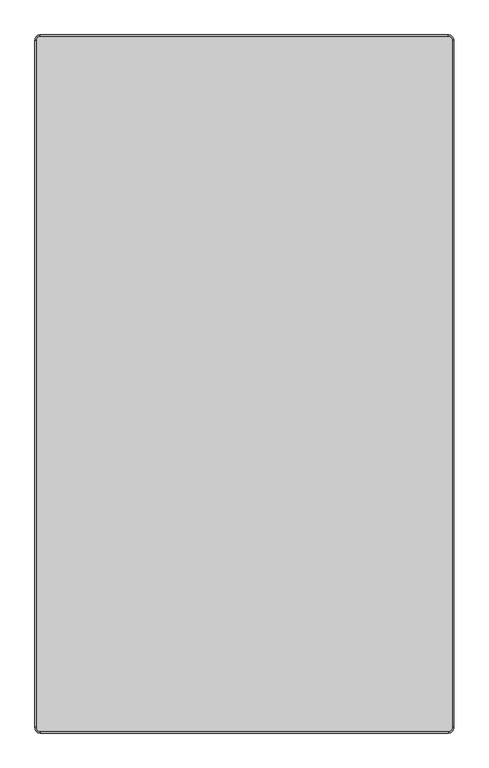
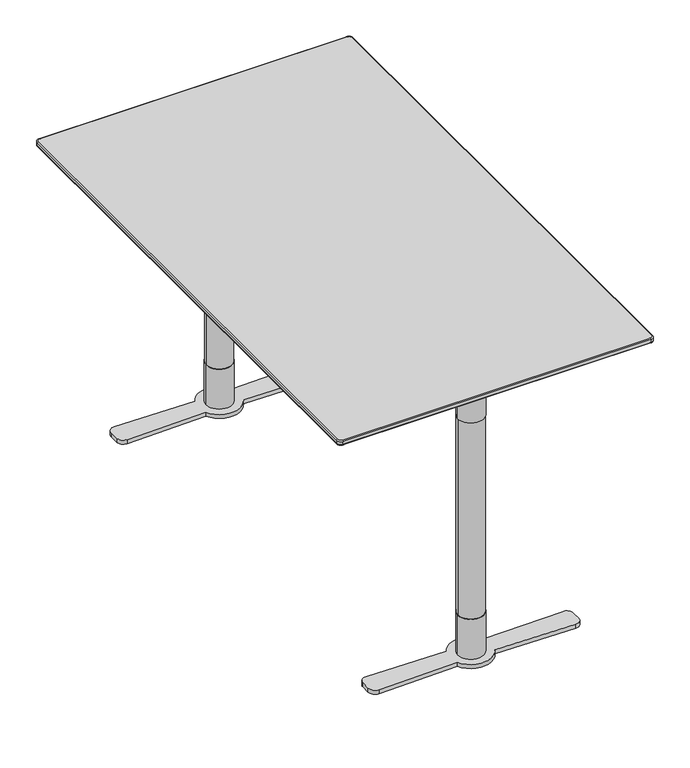
"""IFC4 building model written with IfcOpenShell, lengths in millimetres: furniture geometry."""

from ifc_helpers import new_model, si_unit, point, frame, frame_2d, origin, origin_with_axes, place, context, project, spatial, polyline, circle_curve, ellipse_curve, trimmed, segment, composite_curve, outline, extrude, source, transform, mapped, element, save
from ifc_brep_helpers import plane_surface, cylinder_surface, revolved_surface, spline_surface, advanced_brep


def furniture_3b3c3046(model_context):
    return source(origin(), model_context, "Body", "SolidModel", [
        extrude(outline(composite_curve([segment(polyline([(-517.1006543, 642.9632916), (-517.1006543, 702.7932592), (-387.0000045, 702.7932592), (-387.0000045, 696.6995396)]), True, "CONTINUOUS"), segment(trimmed(circle_curve(frame_2d((-396.0000045, 696.6995396)), 9.0), [point((-387.0000045, 696.6995396))], [point((-392.9169166, 688.2440935))], False, "CARTESIAN"), True, "CONTINUOUS"), segment(polyline([(-392.9169166, 688.2440935), (-517.1006543, 642.9632916)]), True, "CONTINUOUS")], self_intersect=False)), frame((-2.5512191, 0.0, 0.0), z_axis=(1.0, 0.0, 0.0), x_axis=(0.0, 1.0, 0.0)), (0.0, 0.0, 1.0), 5.1024383),
        extrude(outline(polyline([(175.0000945, -564.2976854), (-175.0000945, -564.2976854), (-175.0000945, -342.041139), (175.0000945, -342.041139), (175.0000945, -564.2976854)])), frame((0.0, 0.0, 702.7932592), z_axis=(0.0, 0.0, 1.0), x_axis=(1.0, 0.0, 0.0)), (0.0, 0.0, 1.0), 5.0000027),
        extrude(outline(composite_curve([segment(trimmed(circle_curve(frame_2d((0.0, -517.1010023)), 31.0), [point((-31.0, -517.1010023))], [point((31.0, -517.1010023))], False, "CARTESIAN"), True, "CONTINUOUS"), segment(trimmed(circle_curve(frame_2d((0.0, -517.1010023)), 31.0), [point((31.0, -517.1010023))], [point((-31.0, -517.1010023))], False, "CARTESIAN"), True, "CONTINUOUS")], self_intersect=False)), frame((0.0, 0.0, 602.7932663), z_axis=(0.0, 0.0, 1.0), x_axis=(1.0, 0.0, 0.0)), (0.0, 0.0, 1.0), 99.999993),
        extrude(outline(composite_curve([segment(trimmed(circle_curve(frame_2d((0.0, -517.1010023)), 30.0), [point((-30.0, -517.1010023))], [point((30.0, -517.1010023))], False, "CARTESIAN"), True, "CONTINUOUS"), segment(trimmed(circle_curve(frame_2d((0.0, -517.1010023)), 30.0), [point((30.0, -517.1010023))], [point((-30.0, -517.1010023))], False, "CARTESIAN"), True, "CONTINUOUS")], self_intersect=False)), frame((0.0, 0.0, 110.0016526), z_axis=(0.0, 0.0, 1.0), x_axis=(1.0, 0.0, 0.0)), (0.0, 0.0, 1.0), 492.7916137),
        extrude(outline(composite_curve([segment(trimmed(circle_curve(frame_2d((0.0, -517.1010023)), 31.0), [point((-31.0, -517.1010023))], [point((31.0, -517.1010023))], False, "CARTESIAN"), True, "CONTINUOUS"), segment(trimmed(circle_curve(frame_2d((0.0, -517.1010023)), 31.0), [point((31.0, -517.1010023))], [point((-31.0, -517.1010023))], False, "CARTESIAN"), True, "CONTINUOUS")], self_intersect=False)), frame((0.0, 0.0, 10.0000044), z_axis=(0.0, 0.0, 1.0), x_axis=(1.0, 0.0, 0.0)), (0.0, 0.0, 1.0), 100.0016481),
        extrude(outline(composite_curve([segment(trimmed(circle_curve(frame_2d((-233.9319221, -527.6584625)), 16.0), [point((-233.5735334, -543.6544482))], [point((-249.9319221, -527.6584625))], False, "CARTESIAN"), True, "CONTINUOUS"), segment(polyline([(-249.9319221, -527.6584625), (-249.9319221, -506.3415191)]), True, "CONTINUOUS"), segment(trimmed(circle_curve(frame_2d((-233.9319221, -506.3415191)), 16.0), [point((-249.9319221, -506.3415191))], [point((-233.5735272, -490.3455336))], False, "CARTESIAN"), True, "CONTINUOUS"), segment(polyline([(-233.5735272, -490.3455336), (-44.690162, -494.5775224)]), True, "CONTINUOUS"), segment(trimmed(circle_curve(frame_2d((6.2e-06, -517.0008125)), 50.0001508), [point((-44.690162, -494.5775224))], [point((44.6901745, -494.5775224))], False, "CARTESIAN"), True, "CONTINUOUS"), segment(polyline([(44.6901745, -494.5775224), (233.6737057, -490.3455386)]), True, "CONTINUOUS"), segment(trimmed(circle_curve(frame_2d((234.0319103, -506.3415284)), 16.0), [point((233.6737057, -490.3455386))], [point((250.0319103, -506.3415284))], False, "CARTESIAN"), True, "CONTINUOUS"), segment(polyline([(250.0319103, -506.3415284), (250.0319103, -527.6584533)]), True, "CONTINUOUS"), segment(trimmed(circle_curve(frame_2d((234.0319103, -527.6584533)), 16.0), [point((250.0319103, -527.6584533))], [point((233.6737118, -543.6544432))], False, "CARTESIAN"), True, "CONTINUOUS"), segment(polyline([(233.6737118, -543.6544432), (44.6901745, -539.4225322)]), True, "CONTINUOUS"), segment(trimmed(circle_curve(frame_2d((6.2e-06, -517.0003263)), 49.9996645), [point((44.6901745, -539.4225322))], [point((-44.690162, -539.4225322))], False, "CARTESIAN"), True, "CONTINUOUS"), segment(polyline([(-44.690162, -539.4225322), (-233.5735334, -543.6544482)]), True, "CONTINUOUS")], self_intersect=False)), origin_with_axes(), (0.0, 0.0, 1.0), 10.0000044),
        extrude(outline(composite_curve([segment(polyline([(517.1006543, 642.9632916), (392.9169166, 688.2440935)]), True, "CONTINUOUS"), segment(trimmed(circle_curve(frame_2d((396.0000045, 696.6995396)), 9.0), [point((392.9169166, 688.2440935))], [point((387.0000045, 696.6995396))], False, "CARTESIAN"), True, "CONTINUOUS"), segment(polyline([(387.0000045, 696.6995396), (387.0000045, 702.7932592), (517.1006543, 702.7932592), (517.1006543, 642.9632916)]), True, "CONTINUOUS")], self_intersect=False)), frame((-2.5512191, 0.0, 0.0), z_axis=(1.0, 0.0, 0.0), x_axis=(0.0, 1.0, 0.0)), (0.0, 0.0, 1.0), 5.1024383),
        advanced_brep(
        [(-365.0, -623.6840403, 718.2400004), (-365.0, -625.0, 720.1193857), (-375.0, -615.0, 720.1193857), (-373.6840403, -615.0, 718.2400004), (-365.0, -625.0, 728.0), (-365.0, -623.0, 730.0), (-373.0, -615.0, 730.0), (-375.0, -615.0, 728.0), (365.0, -623.6840403, 718.2400004), (365.0, -625.0, 720.1193857), (365.0, -625.0, 728.0), (365.0, -623.0, 730.0), (373.6840403, -615.0, 718.2400004), (375.0, -615.0, 720.1193857), (375.0, -615.0, 728.0), (373.0, -615.0, 730.0), (373.6840403, 615.0, 718.2400004), (375.0, 615.0, 720.1193857), (375.0, 615.0, 728.0), (373.0, 615.0, 730.0), (365.0, 623.6840403, 718.2400004), (365.0, 625.0, 720.1193857), (365.0, 625.0, 728.0), (365.0, 623.0, 730.0), (-365.0, 623.6840403, 718.2400004), (-365.0, 625.0, 720.1193857), (-365.0, 625.0, 728.0), (-365.0, 623.0, 730.0), (-373.6840403, 615.0, 718.2400004), (-375.0, 615.0, 720.1193857), (-375.0, 615.0, 728.0), (-373.0, 615.0, 730.0)],
        [
            (0, 1, circle_curve(frame((-365.0, -623.0, 720.1193857), z_axis=(-1.0, 0.0, 0.0), x_axis=(0.0, 1.0, 0.0)), 2.0)),
            (1, 2, circle_curve(frame((-365.0, -615.0, 720.1193857), z_axis=(0.0, 0.0, -1.0), x_axis=(-1.0, 0.0, 0.0)), 10.0)),
            (2, 3, circle_curve(frame((-373.0, -615.0, 720.1193857), z_axis=(0.0, -1.0, 0.0), x_axis=(1.0, 0.0, 0.0)), 2.0)),
            (3, 0, circle_curve(frame((-365.0, -615.0, 718.2400004), z_axis=(0.0, 0.0, 1.0), x_axis=(-1.0, 0.0, 0.0)), 8.6840403)),
            (4, 5, circle_curve(frame((-365.0, -623.0, 728.0), z_axis=(-1.0, 0.0, 0.0), x_axis=(0.0, 1.0, 0.0)), 2.0)),
            (5, 6, circle_curve(frame((-365.0, -615.0, 730.0), z_axis=(0.0, 0.0, -1.0), x_axis=(-1.0, 0.0, 0.0)), 8.0)),
            (6, 7, circle_curve(frame((-373.0, -615.0, 728.0), z_axis=(0.0, -1.0, 0.0), x_axis=(1.0, 0.0, 0.0)), 2.0)),
            (7, 4, circle_curve(frame((-365.0, -615.0, 728.0), z_axis=(0.0, 0.0, 1.0), x_axis=(-1.0, 0.0, 0.0)), 10.0)),
            (0, 8),
            (8, 9, circle_curve(frame((365.0, -623.0, 720.1193857), z_axis=(-1.0, 0.0, 0.0), x_axis=(0.0, 1.0, 0.0)), 2.0)),
            (9, 1),
            (4, 10),
            (10, 11, circle_curve(frame((365.0, -623.0, 728.0), z_axis=(-1.0, 0.0, 0.0), x_axis=(0.0, 1.0, 0.0)), 2.0)),
            (11, 5),
            (8, 12, circle_curve(frame((365.0, -615.0, 718.2400004), z_axis=(0.0, 0.0, 1.0), x_axis=(0.0, -1.0, 0.0)), 8.6840403)),
            (12, 13, circle_curve(frame((373.0, -615.0, 720.1193857), z_axis=(0.0, -1.0, 0.0), x_axis=(-1.0, 0.0, 0.0)), 2.0)),
            (13, 9, circle_curve(frame((365.0, -615.0, 720.1193857), z_axis=(0.0, 0.0, -1.0), x_axis=(0.0, -1.0, 0.0)), 10.0)),
            (10, 14, circle_curve(frame((365.0, -615.0, 728.0), z_axis=(0.0, 0.0, 1.0), x_axis=(0.0, -1.0, 0.0)), 10.0)),
            (14, 15, circle_curve(frame((373.0, -615.0, 728.0), z_axis=(0.0, -1.0, 0.0), x_axis=(-1.0, 0.0, 0.0)), 2.0)),
            (15, 11, circle_curve(frame((365.0, -615.0, 730.0), z_axis=(0.0, 0.0, -1.0), x_axis=(0.0, -1.0, 0.0)), 8.0)),
            (12, 16),
            (16, 17, circle_curve(frame((373.0, 615.0, 720.1193857), z_axis=(0.0, -1.0, 0.0), x_axis=(-1.0, 0.0, 0.0)), 2.0)),
            (17, 13),
            (14, 18),
            (18, 19, circle_curve(frame((373.0, 615.0, 728.0), z_axis=(0.0, -1.0, 0.0), x_axis=(-1.0, 0.0, 0.0)), 2.0)),
            (19, 15),
            (16, 20, circle_curve(frame((365.0, 615.0, 718.2400004), z_axis=(0.0, 0.0, 1.0), x_axis=(1.0, 0.0, 0.0)), 8.6840403)),
            (20, 21, circle_curve(frame((365.0, 623.0, 720.1193857), z_axis=(1.0, 0.0, 0.0), x_axis=(0.0, -1.0, 0.0)), 2.0)),
            (21, 17, circle_curve(frame((365.0, 615.0, 720.1193857), z_axis=(0.0, 0.0, -1.0), x_axis=(1.0, 0.0, 0.0)), 10.0)),
            (18, 22, circle_curve(frame((365.0, 615.0, 728.0), z_axis=(0.0, 0.0, 1.0), x_axis=(1.0, 0.0, 0.0)), 10.0)),
            (22, 23, circle_curve(frame((365.0, 623.0, 728.0), z_axis=(1.0, 0.0, 0.0), x_axis=(0.0, -1.0, 0.0)), 2.0)),
            (23, 19, circle_curve(frame((365.0, 615.0, 730.0), z_axis=(0.0, 0.0, -1.0), x_axis=(1.0, 0.0, 0.0)), 8.0)),
            (20, 24),
            (24, 25, circle_curve(frame((-365.0, 623.0, 720.1193857), z_axis=(1.0, 0.0, 0.0), x_axis=(0.0, -1.0, 0.0)), 2.0)),
            (25, 21),
            (22, 26),
            (26, 27, circle_curve(frame((-365.0, 623.0, 728.0), z_axis=(1.0, 0.0, 0.0), x_axis=(0.0, -1.0, 0.0)), 2.0)),
            (27, 23),
            (24, 28, circle_curve(frame((-365.0, 615.0, 718.2400004), z_axis=(0.0, 0.0, 1.0), x_axis=(0.0, 1.0, 0.0)), 8.6840403)),
            (28, 29, circle_curve(frame((-373.0, 615.0, 720.1193857), z_axis=(0.0, 1.0, 0.0), x_axis=(1.0, 0.0, 0.0)), 2.0)),
            (29, 25, circle_curve(frame((-365.0, 615.0, 720.1193857), z_axis=(0.0, 0.0, -1.0), x_axis=(0.0, 1.0, 0.0)), 10.0)),
            (26, 30, circle_curve(frame((-365.0, 615.0, 728.0), z_axis=(0.0, 0.0, 1.0), x_axis=(0.0, 1.0, 0.0)), 10.0)),
            (30, 31, circle_curve(frame((-373.0, 615.0, 728.0), z_axis=(0.0, 1.0, 0.0), x_axis=(1.0, 0.0, 0.0)), 2.0)),
            (31, 27, circle_curve(frame((-365.0, 615.0, 730.0), z_axis=(0.0, 0.0, -1.0), x_axis=(0.0, 1.0, 0.0)), 8.0)),
            (2, 29),
            (28, 3),
            (6, 31),
            (30, 7),
            (22, 21),
            (25, 26),
            (30, 29),
            (2, 7),
            (4, 1),
            (9, 10),
            (14, 13),
            (17, 18),
        ],
        [
            revolved_surface(trimmed(ellipse_curve(frame((-373.0, -615.0, 720.1193857), z_axis=(0.0, 1.0, 0.0), x_axis=(1.0, 0.0, 0.0)), 2.0, 2.0), [point((-373.6840403, -615.0, 718.2400004))], [point((-375.0, -615.0, 720.1193857))], True, "CARTESIAN"), (-365.0, -615.0, 0.0), (0.0, 0.0, 1.0)),
            revolved_surface(trimmed(ellipse_curve(frame((-373.0, -615.0, 728.0), z_axis=(0.0, 1.0, 0.0), x_axis=(1.0, 0.0, 0.0)), 2.0, 2.0), [point((-375.0, -615.0, 728.0))], [point((-373.0, -615.0, 730.0))], True, "CARTESIAN"), (-365.0, -615.0, 0.0), (0.0, 0.0, 1.0)),
            cylinder_surface(frame((-365.0, -623.0, 720.1193857), z_axis=(1.0, 0.0, 0.0), x_axis=(0.0, 1.0, 0.0)), 2.0),
            cylinder_surface(frame((-365.0, -623.0, 728.0), z_axis=(1.0, 0.0, 0.0), x_axis=(0.0, 1.0, 0.0)), 2.0),
            revolved_surface(trimmed(ellipse_curve(frame((365.0, -623.0, 720.1193857), z_axis=(-1.0, 0.0, 0.0), x_axis=(0.0, 1.0, 0.0)), 2.0, 2.0), [point((365.0, -623.6840403, 718.2400004))], [point((365.0, -625.0, 720.1193857))], True, "CARTESIAN"), (365.0, -615.0, 0.0), (0.0, 0.0, 1.0)),
            revolved_surface(trimmed(ellipse_curve(frame((365.0, -623.0, 728.0), z_axis=(-1.0, 0.0, 0.0), x_axis=(0.0, 1.0, 0.0)), 2.0, 2.0), [point((365.0, -625.0, 728.0))], [point((365.0, -623.0, 730.0))], True, "CARTESIAN"), (365.0, -615.0, 0.0), (0.0, 0.0, 1.0)),
            cylinder_surface(frame((373.0, -615.0, 720.1193857), z_axis=(0.0, 1.0, 0.0), x_axis=(-1.0, 0.0, 0.0)), 2.0),
            cylinder_surface(frame((373.0, -615.0, 728.0), z_axis=(0.0, 1.0, 0.0), x_axis=(-1.0, 0.0, 0.0)), 2.0),
            revolved_surface(trimmed(ellipse_curve(frame((373.0, 615.0, 720.1193857), z_axis=(0.0, -1.0, 0.0), x_axis=(-1.0, 0.0, 0.0)), 2.0, 2.0), [point((373.6840403, 615.0, 718.2400004))], [point((375.0, 615.0, 720.1193857))], True, "CARTESIAN"), (365.0, 615.0, 0.0), (0.0, 0.0, 1.0)),
            revolved_surface(trimmed(ellipse_curve(frame((373.0, 615.0, 728.0), z_axis=(0.0, -1.0, 0.0), x_axis=(-1.0, 0.0, 0.0)), 2.0, 2.0), [point((375.0, 615.0, 728.0))], [point((373.0, 615.0, 730.0))], True, "CARTESIAN"), (365.0, 615.0, 0.0), (0.0, 0.0, 1.0)),
            cylinder_surface(frame((365.0, 623.0, 720.1193857), z_axis=(-1.0, 0.0, 0.0), x_axis=(0.0, -1.0, 0.0)), 2.0),
            cylinder_surface(frame((365.0, 623.0, 728.0), z_axis=(-1.0, 0.0, 0.0), x_axis=(0.0, -1.0, 0.0)), 2.0),
            revolved_surface(trimmed(ellipse_curve(frame((-365.0, 623.0, 720.1193857), z_axis=(1.0, 0.0, 0.0), x_axis=(0.0, -1.0, 0.0)), 2.0, 2.0), [point((-365.0, 623.6840403, 718.2400004))], [point((-365.0, 625.0, 720.1193857))], True, "CARTESIAN"), (-365.0, 615.0, 0.0), (0.0, 0.0, 1.0)),
            revolved_surface(trimmed(ellipse_curve(frame((-365.0, 623.0, 728.0), z_axis=(1.0, 0.0, 0.0), x_axis=(0.0, -1.0, 0.0)), 2.0, 2.0), [point((-365.0, 625.0, 728.0))], [point((-365.0, 623.0, 730.0))], True, "CARTESIAN"), (-365.0, 615.0, 0.0), (0.0, 0.0, 1.0)),
            cylinder_surface(frame((-373.0, 615.0, 720.1193857), z_axis=(0.0, -1.0, 0.0), x_axis=(1.0, 0.0, 0.0)), 2.0),
            cylinder_surface(frame((-373.0, 615.0, 728.0), z_axis=(0.0, -1.0, 0.0), x_axis=(1.0, 0.0, 0.0)), 2.0),
            plane_surface(frame((-305.0, 625.0, 730.0), z_axis=(0.0, 0.0, 1.0), x_axis=(-1.0, 0.0, 0.0))),
            plane_surface(frame((-305.0, 625.0, 718.2400004), z_axis=(0.0, 0.0, -1.0), x_axis=(1.0, 0.0, 0.0))),
            plane_surface(frame((365.0, 625.0, 730.0), z_axis=(0.0, 1.0, 0.0), x_axis=(0.0, 0.0, -1.0))),
            plane_surface(frame((-375.0, 615.0, 730.0), z_axis=(-1.0, 0.0, 0.0), x_axis=(0.0, 0.0, -1.0))),
            plane_surface(frame((-365.0, -625.0, 730.0), z_axis=(0.0, -1.0, 0.0), x_axis=(0.0, 0.0, -1.0))),
            plane_surface(frame((375.0, -615.0, 730.0), z_axis=(1.0, 0.0, 0.0), x_axis=(0.0, 0.0, -1.0))),
            cylinder_surface(frame((-365.0, 615.0, 718.2400004), z_axis=(0.0, 0.0, 1.0), x_axis=(1.0, 0.0, 0.0)), 10.0),
            cylinder_surface(frame((-365.0, -615.0, 718.2400004), z_axis=(0.0, 0.0, 1.0), x_axis=(1.0, 0.0, 0.0)), 10.0),
            cylinder_surface(frame((365.0, -615.0, 718.2400004), z_axis=(0.0, 0.0, 1.0), x_axis=(1.0, 0.0, 0.0)), 10.0),
            cylinder_surface(frame((365.0, 615.0, 718.2400004), z_axis=(0.0, 0.0, 1.0), x_axis=(1.0, 0.0, 0.0)), 10.0),
        ],
        [
            (0, [[1, 2, 3, 4]]),
            (1, [[5, 6, 7, 8]]),
            (2, [[-1, 9, 10, 11]]),
            (3, [[-5, 12, 13, 14]]),
            (4, [[-10, 15, 16, 17]]),
            (5, [[-13, 18, 19, 20]]),
            (6, [[-16, 21, 22, 23]]),
            (7, [[-19, 24, 25, 26]]),
            (8, [[-22, 27, 28, 29]]),
            (9, [[-25, 30, 31, 32]]),
            (10, [[-28, 33, 34, 35]]),
            (11, [[-31, 36, 37, 38]]),
            (12, [[-34, 39, 40, 41]]),
            (13, [[-37, 42, 43, 44]]),
            (14, [[-3, 45, -40, 46]]),
            (15, [[-7, 47, -43, 48]]),
            (16, [[-6, -14, -20, -26, -32, -38, -44, -47]]),
            (17, [[-4, -46, -39, -33, -27, -21, -15, -9]]),
            (18, [[49, -35, 50, -36]]),
            (19, [[51, -45, 52, -48]]),
            (20, [[53, -11, 54, -12]]),
            (21, [[55, -23, 56, -24]]),
            (22, [[-51, -42, -50, -41]]),
            (23, [[-53, -8, -52, -2]]),
            (24, [[-55, -18, -54, -17]]),
            (25, [[-49, -30, -56, -29]]),
        ],
    ),
        advanced_brep(
        [(365.0, 623.6840403, 718.2400004), (-365.0, 623.6840403, 718.2400004), (-373.6840403, 615.0, 718.2400004), (-373.6840403, -615.0, 718.2400004), (-365.0, -623.6840403, 718.2400004), (365.0, -623.6840403, 718.2400004), (373.6840403, -615.0, 718.2400004), (373.6840403, 615.0, 718.2400004), (337.030341, 595.0, 707.7932619), (345.0, 587.030341, 707.7932619), (345.0, -587.030341, 707.7932619), (337.030341, -595.0, 707.7932619), (-337.030341, -595.0, 707.7932619), (-345.0, -587.030341, 707.7932619), (-345.0, 587.030341, 707.7932619), (-337.030341, 595.0, 707.7932619)],
        [
            (0, 1),
            (1, 2, circle_curve(frame((-365.0, 615.0, 718.2400004), z_axis=(0.0, 0.0, 1.0), x_axis=(1.0, 0.0, 0.0)), 8.6840403)),
            (2, 3),
            (3, 4, circle_curve(frame((-365.0, -615.0, 718.2400004), z_axis=(0.0, 0.0, 1.0), x_axis=(1.0, 0.0, 0.0)), 8.6840403)),
            (4, 5),
            (5, 6, circle_curve(frame((365.0, -615.0, 718.2400004), z_axis=(0.0, 0.0, 1.0), x_axis=(1.0, 0.0, 0.0)), 8.6840403)),
            (6, 7),
            (7, 0, circle_curve(frame((365.0, 615.0, 718.2400004), z_axis=(0.0, 0.0, 1.0), x_axis=(1.0, 0.0, 0.0)), 8.6840403)),
            (8, 9, circle_curve(frame((337.030341, 587.030341, 707.7932619), z_axis=(0.0, 0.0, -1.0), x_axis=(1.0, 0.0, 0.0)), 7.969659)),
            (9, 10),
            (10, 11, circle_curve(frame((337.030341, -587.030341, 707.7932619), z_axis=(0.0, 0.0, -1.0), x_axis=(1.0, 0.0, 0.0)), 7.969659)),
            (11, 12),
            (12, 13, circle_curve(frame((-337.030341, -587.030341, 707.7932619), z_axis=(0.0, 0.0, -1.0), x_axis=(1.0, 0.0, 0.0)), 7.969659)),
            (13, 14),
            (14, 15, circle_curve(frame((-337.030341, 587.030341, 707.7932619), z_axis=(0.0, 0.0, -1.0), x_axis=(1.0, 0.0, 0.0)), 7.969659)),
            (15, 8),
            (15, 1),
            (0, 8),
            (14, 2),
            (13, 3),
            (12, 4),
            (11, 5),
            (10, 6),
            (9, 7),
        ],
        [
            plane_surface(frame((0.0, 0.0, 718.2400004), z_axis=(0.0, 0.0, 1.0), x_axis=(-1.0, 0.0, 0.0))),
            plane_surface(frame((0.0, 0.0, 707.7932619), z_axis=(0.0, 0.0, -1.0), x_axis=(-1.0, 0.0, 0.0))),
            plane_surface(frame((0.0, 595.0, 707.7932619), z_axis=(0.0, 0.34221109305817343, -0.9396230987943678), x_axis=(-1.0, 0.0, 0.0))),
            spline_surface(2, 1, [[(-337.030341, 595.0, 707.7932619), (-365.0, 623.6840403, 718.2400004)], [(-345.0, 595.0, 707.7932619), (-373.6840403, 623.6840403, 718.2400004)], [(-345.0, 587.030341, 707.7932619), (-373.6840403, 615.0, 718.2400004)]], [3, 3], [2, 2], [0.0, 1.0], [0.0, 1.0], weights=[[1.0, 1.0], [0.7071067811865476, 0.7071067811865476], [1.0, 1.0]]),
            plane_surface(frame((-345.0, 0.0, 707.7932619), z_axis=(-0.3422110930581856, 0.0, -0.9396230987943633), x_axis=(0.0, -1.0, 0.0))),
            spline_surface(2, 1, [[(-345.0, -587.030341, 707.7932619), (-373.6840403, -615.0, 718.2400004)], [(-345.0, -595.0, 707.7932619), (-373.6840403, -623.6840403, 718.2400004)], [(-337.030341, -595.0, 707.7932619), (-365.0, -623.6840403, 718.2400004)]], [3, 3], [2, 2], [0.0, 1.0], [0.0, 1.0], weights=[[1.0, 1.0], [0.7071067811865476, 0.7071067811865476], [1.0, 1.0]]),
            plane_surface(frame((0.0, -595.0, 707.7932619), z_axis=(0.0, -0.34221109305817343, -0.9396230987943678), x_axis=(1.0, 0.0, 0.0))),
            spline_surface(2, 1, [[(337.030341, -595.0, 707.7932619), (365.0, -623.6840403, 718.2400004)], [(345.0, -595.0, 707.7932619), (373.6840403, -623.6840403, 718.2400004)], [(345.0, -587.030341, 707.7932619), (373.6840403, -615.0, 718.2400004)]], [3, 3], [2, 2], [0.0, 1.0], [0.0, 1.0], weights=[[1.0, 1.0], [0.7071067811865476, 0.7071067811865476], [1.0, 1.0]]),
            plane_surface(frame((345.0, 0.0, 707.7932619), z_axis=(0.34221109305816205, 0.0, -0.939623098794372), x_axis=(0.0, 1.0, 0.0))),
            spline_surface(2, 1, [[(345.0, 587.030341, 707.7932619), (373.6840403, 615.0, 718.2400004)], [(345.0, 595.0, 707.7932619), (373.6840403, 623.6840403, 718.2400004)], [(337.030341, 595.0, 707.7932619), (365.0, 623.6840403, 718.2400004)]], [3, 3], [2, 2], [0.0, 1.0], [0.0, 1.0], weights=[[1.0, 1.0], [0.7071067811865476, 0.7071067811865476], [1.0, 1.0]]),
        ],
        [
            (0, [[1, 2, 3, 4, 5, 6, 7, 8]]),
            (1, [[9, 10, 11, 12, 13, 14, 15, 16]]),
            (2, [[-16, 17, -1, 18]]),
            (3, [[-15, 19, -2, -17]]),
            (4, [[-14, 20, -3, -19]]),
            (5, [[-13, 21, -4, -20]]),
            (6, [[-12, 22, -5, -21]]),
            (7, [[-11, 23, -6, -22]]),
            (8, [[-10, 24, -7, -23]]),
            (9, [[-9, -18, -8, -24]]),
        ],
    ),
        extrude(outline(polyline([(175.0000945, 564.2976854), (175.0000945, 342.041139), (-175.0000945, 342.041139), (-175.0000945, 564.2976854), (175.0000945, 564.2976854)])), frame((0.0, 0.0, 702.7932592), z_axis=(0.0, 0.0, 1.0), x_axis=(1.0, 0.0, 0.0)), (0.0, 0.0, 1.0), 5.0000027),
        extrude(outline(composite_curve([segment(trimmed(circle_curve(frame_2d((0.0, 517.1010023)), 31.0), [point((-31.0, 517.1010023))], [point((31.0, 517.1010023))], False, "CARTESIAN"), True, "CONTINUOUS"), segment(trimmed(circle_curve(frame_2d((0.0, 517.1010023)), 31.0), [point((31.0, 517.1010023))], [point((-31.0, 517.1010023))], False, "CARTESIAN"), True, "CONTINUOUS")], self_intersect=False)), frame((0.0, 0.0, 602.7932663), z_axis=(0.0, 0.0, 1.0), x_axis=(1.0, 0.0, 0.0)), (0.0, 0.0, 1.0), 99.999993),
        extrude(outline(composite_curve([segment(trimmed(circle_curve(frame_2d((0.0, 517.1010023)), 30.0), [point((-30.0, 517.1010023))], [point((30.0, 517.1010023))], False, "CARTESIAN"), True, "CONTINUOUS"), segment(trimmed(circle_curve(frame_2d((0.0, 517.1010023)), 30.0), [point((30.0, 517.1010023))], [point((-30.0, 517.1010023))], False, "CARTESIAN"), True, "CONTINUOUS")], self_intersect=False)), frame((0.0, 0.0, 110.0016526), z_axis=(0.0, 0.0, 1.0), x_axis=(1.0, 0.0, 0.0)), (0.0, 0.0, 1.0), 492.7916137),
        extrude(outline(composite_curve([segment(trimmed(circle_curve(frame_2d((0.0, 517.1010023)), 31.0), [point((-31.0, 517.1010023))], [point((31.0, 517.1010023))], False, "CARTESIAN"), True, "CONTINUOUS"), segment(trimmed(circle_curve(frame_2d((0.0, 517.1010023)), 31.0), [point((31.0, 517.1010023))], [point((-31.0, 517.1010023))], False, "CARTESIAN"), True, "CONTINUOUS")], self_intersect=False)), frame((0.0, 0.0, 10.0000044), z_axis=(0.0, 0.0, 1.0), x_axis=(1.0, 0.0, 0.0)), (0.0, 0.0, 1.0), 100.0016481),
        extrude(outline(composite_curve([segment(polyline([(-233.5735334, 543.6544482), (-44.690162, 539.4225322)]), True, "CONTINUOUS"), segment(trimmed(circle_curve(frame_2d((6.2e-06, 517.0003263)), 49.9996645), [point((-44.690162, 539.4225322))], [point((44.6901745, 539.4225322))], False, "CARTESIAN"), True, "CONTINUOUS"), segment(polyline([(44.6901745, 539.4225322), (233.6737118, 543.6544432)]), True, "CONTINUOUS"), segment(trimmed(circle_curve(frame_2d((234.0319103, 527.6584533)), 16.0), [point((233.6737118, 543.6544432))], [point((250.0319103, 527.6584533))], False, "CARTESIAN"), True, "CONTINUOUS"), segment(polyline([(250.0319103, 527.6584533), (250.0319103, 506.3415284)]), True, "CONTINUOUS"), segment(trimmed(circle_curve(frame_2d((234.0319103, 506.3415284)), 16.0), [point((250.0319103, 506.3415284))], [point((233.6737057, 490.3455386))], False, "CARTESIAN"), True, "CONTINUOUS"), segment(polyline([(233.6737057, 490.3455386), (44.6901745, 494.5775224)]), True, "CONTINUOUS"), segment(trimmed(circle_curve(frame_2d((6.2e-06, 517.0008125)), 50.0001508), [point((44.6901745, 494.5775224))], [point((-44.690162, 494.5775224))], False, "CARTESIAN"), True, "CONTINUOUS"), segment(polyline([(-44.690162, 494.5775224), (-233.5735272, 490.3455336)]), True, "CONTINUOUS"), segment(trimmed(circle_curve(frame_2d((-233.9319221, 506.3415191)), 16.0), [point((-233.5735272, 490.3455336))], [point((-249.9319221, 506.3415191))], False, "CARTESIAN"), True, "CONTINUOUS"), segment(polyline([(-249.9319221, 506.3415191), (-249.9319221, 527.6584625)]), True, "CONTINUOUS"), segment(trimmed(circle_curve(frame_2d((-233.9319221, 527.6584625)), 16.0), [point((-249.9319221, 527.6584625))], [point((-233.5735334, 543.6544482))], False, "CARTESIAN"), True, "CONTINUOUS")], self_intersect=False)), origin_with_axes(), (0.0, 0.0, 1.0), 10.0000044),
    ])


if __name__ == "__main__":
    model = new_model("IFC4")
    model_context = context("Model", 3, world=origin())
    ifc_project = project(units=[si_unit("LENGTHUNIT", "METRE", prefix="MILLI")], contexts=[model_context])
    site = spatial("IfcSite", under=ifc_project)
    building = spatial("IfcBuilding", under=site)
    placement = place(None, origin())
    furniture_shape = furniture_3b3c3046(model_context)
    element("IfcFurniture", 1, at=placement, inside=building, context=model_context, shape_type="MappedRepresentation", body=[
        mapped(furniture_shape, transform((0.0, 0.0, 0.0), x_axis=(1.0, 0.0, 0.0), y_axis=(0.0, 1.0, 0.0), z_axis=(0.0, 0.0, 1.0))),
    ])
    save(model, "model.ifc")
